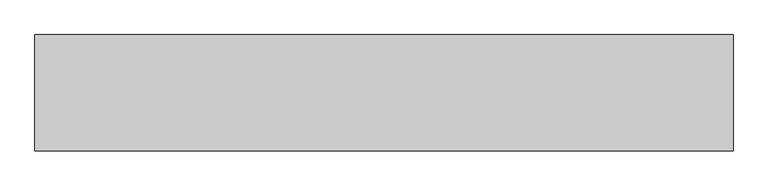
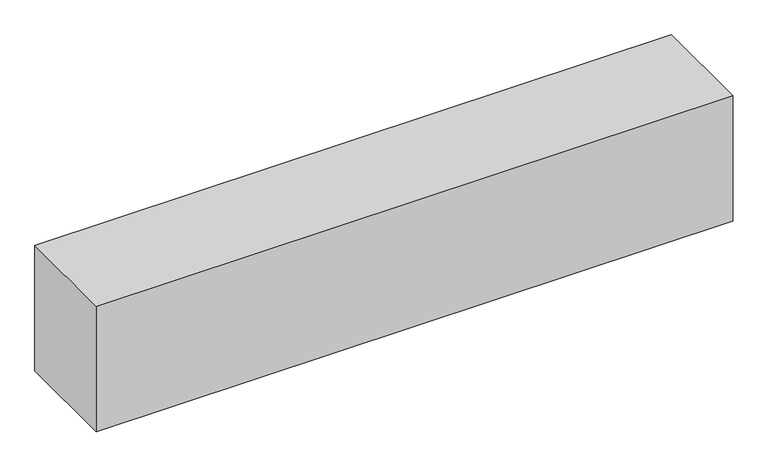
"""IFC4 building model written with IfcOpenShell, lengths in millimetres: beam geometry."""

from ifc_helpers import new_model, si_unit, origin, origin_with_axes, place, context, project, spatial, polyline, outline, extrude, source, transform, mapped, element, save


def beam_488fcf38(model_context):
    return source(origin(), model_context, "Body", "SweptSolid", [
        extrude(outline(polyline([(600.0, 100.0), (600.0, -100.0), (-600.0, -100.0), (-600.0, 100.0), (600.0, 100.0)])), origin_with_axes(), (0.0, 0.0, 1.0), 250.0),
    ])


if __name__ == "__main__":
    model = new_model("IFC4")
    model_context = context("Model", 3, world=origin())
    ifc_project = project(units=[si_unit("LENGTHUNIT", "METRE", prefix="MILLI")], contexts=[model_context])
    site = spatial("IfcSite", under=ifc_project)
    building = spatial("IfcBuilding", under=site)
    placement = place(None, origin())
    beam_shape = beam_488fcf38(model_context)
    element("IfcBeam", 1, at=placement, inside=building, context=model_context, shape_type="MappedRepresentation", body=[
        mapped(beam_shape, transform((0.0, 0.0, 0.0), x_axis=(1.0, 0.0, 0.0), y_axis=(0.0, 1.0, 0.0), z_axis=(0.0, 0.0, 1.0))),
    ])
    save(model, "model.ifc")
